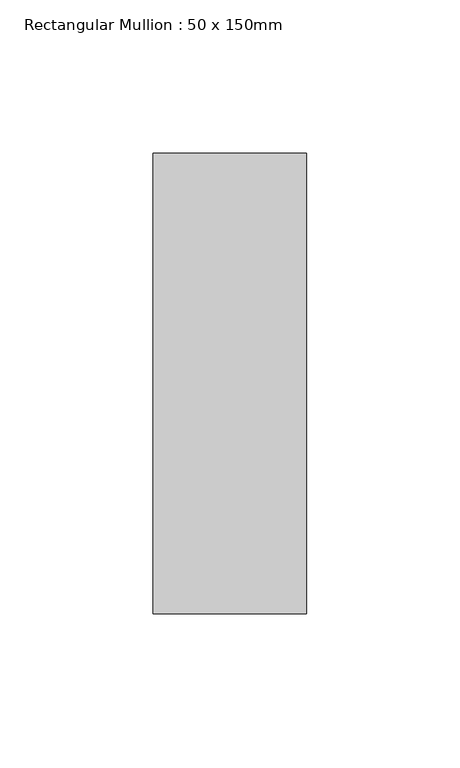
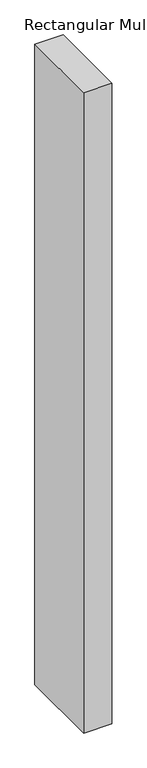
"""IFC4 building model written with IfcOpenShell, lengths in millimetres: member geometry, Rectangular Mullion : 50 x 150mm."""

from ifc_helpers import new_model, si_unit, frame, origin, place, context, project, spatial, polyline, outline, extrude, source, transform, mapped, element, save


def rectangular_mullion_50_x_150mm_5f3d6e93(model_context):
    return source(origin(), model_context, "Body", "SweptSolid", [
        extrude(outline(polyline([(0.0, 75.0), (0.0, -75.0), (-50.0, -75.0), (-50.0, 75.0), (0.0, 75.0)])), frame((0.0, 0.0, -1201.2626926), z_axis=(0.0, 0.0, 1.0), x_axis=(1.0, 0.0, 0.0)), (0.0, 0.0, 1.0), 1201.2626926),
    ])


if __name__ == "__main__":
    model = new_model("IFC4")
    model_context = context("Model", 3, world=origin())
    ifc_project = project(units=[si_unit("LENGTHUNIT", "METRE", prefix="MILLI")], contexts=[model_context])
    site = spatial("IfcSite", under=ifc_project)
    building = spatial("IfcBuilding", under=site)
    placement = place(None, origin())
    rectangular_mullion_50_x_150mm_shape = rectangular_mullion_50_x_150mm_5f3d6e93(model_context)
    element("IfcMember", 1, ObjectType="Rectangular Mullion : 50 x 150mm", at=placement, inside=building, context=model_context, shape_type="MappedRepresentation", body=[
        mapped(rectangular_mullion_50_x_150mm_shape, transform((0.0, 0.0, 0.0), x_axis=(1.0, 0.0, 0.0), y_axis=(0.0, 1.0, 0.0), z_axis=(0.0, 0.0, 1.0))),
    ])
    save(model, "model.ifc")
